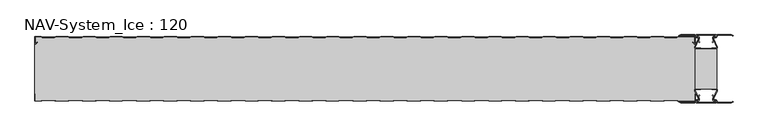
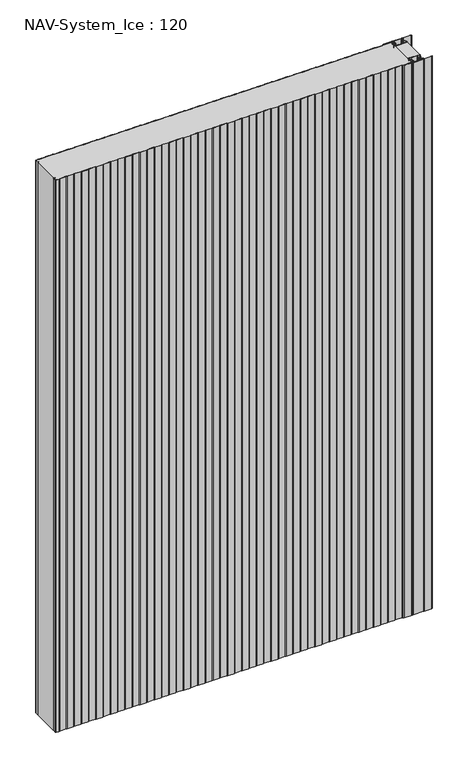
"""IFC4 building model written with IfcOpenShell, lengths in millimetres: plate geometry, NAV-System_Ice : 120."""

from ifc_helpers import new_model, si_unit, point, frame_2d, origin, origin_with_axes, place, context, project, spatial, polyline, circle_curve, trimmed, segment, composite_curve, outline, extrude, source, transform, mapped, element, save


def nav_system_ice_120_80eb98d6(model_context):
    return source(origin(), model_context, "Body", "SweptSolid", [
        extrude(outline(polyline([(630.0, -96.9693935), (590.0, -96.9693935), (590.0, -23.0306065), (630.0, -23.0306065), (630.0, -96.9693935)])), origin_with_axes(), (0.0, 0.0, 1.0), 2000.0),
        extrude(outline(composite_curve([segment(trimmed(circle_curve(frame_2d((599.1138734, -111.8417863)), 3.357884), [point((596.1169606, -113.3563483))], [point((597.7243711, -108.7848813))], False, "CARTESIAN"), True, "CONTINUOUS"), segment(polyline([(597.7243711, -108.7848813), (598.0554135, -109.5131744)]), True, "CONTINUOUS"), segment(trimmed(circle_curve(frame_2d((599.1138734, -111.8417863)), 2.557884), [point((598.0554135, -109.5131744))], [point((596.8448746, -113.0226397))], True, "CARTESIAN"), True, "CONTINUOUS"), segment(polyline([(596.8448746, -113.0226397), (597.7376807, -115.2182139)]), True, "CONTINUOUS"), segment(trimmed(circle_curve(frame_2d((593.7962884, -116.3456266)), 4.0994674), [point((597.7376807, -115.2182139))], [point((593.7866434, -120.4450826))], False, "CARTESIAN"), True, "CONTINUOUS"), segment(polyline([(593.7866434, -120.4450826), (592.2194901, -120.4092333)]), True, "CONTINUOUS"), segment(trimmed(circle_curve(frame_2d((592.2592624, -121.3027113)), 0.8943628), [point((592.2194901, -120.4092333))], [point((592.2592624, -122.1970741))], True, "CARTESIAN"), True, "CONTINUOUS"), segment(polyline([(592.2592624, -122.1970741), (627.7407376, -122.1970741)]), True, "CONTINUOUS"), segment(trimmed(circle_curve(frame_2d((627.7407376, -121.3027113)), 0.8943628), [point((627.7407376, -122.1970741))], [point((627.7805099, -120.4092333))], True, "CARTESIAN"), True, "CONTINUOUS"), segment(polyline([(627.7805099, -120.4092333), (626.2133566, -120.4450826)]), True, "CONTINUOUS"), segment(trimmed(circle_curve(frame_2d((626.2037116, -116.3456266)), 4.0994674), [point((626.2133566, -120.4450826))], [point((622.2623193, -115.2182139))], False, "CARTESIAN"), True, "CONTINUOUS"), segment(polyline([(622.2623193, -115.2182139), (623.1551254, -113.0226397)]), True, "CONTINUOUS"), segment(trimmed(circle_curve(frame_2d((620.8861266, -111.8417863)), 2.557884), [point((623.1551254, -113.0226397))], [point((621.9445865, -109.5131744))], True, "CARTESIAN"), True, "CONTINUOUS"), segment(polyline([(621.9445865, -109.5131744), (622.2756289, -108.7848813)]), True, "CONTINUOUS"), segment(trimmed(circle_curve(frame_2d((620.8861266, -111.8417863)), 3.357884), [point((622.2756289, -108.7848813))], [point((623.8830394, -113.3563483))], False, "CARTESIAN"), True, "CONTINUOUS"), segment(polyline([(623.8830394, -113.3563483), (623.0205049, -115.4774793)]), True, "CONTINUOUS"), segment(trimmed(circle_curve(frame_2d((626.2037116, -116.3456266)), 3.2994674), [point((623.0205049, -115.4774793))], [point((626.2037116, -119.645094))], True, "CARTESIAN"), True, "CONTINUOUS"), segment(polyline([(626.2037116, -119.645094), (627.7848884, -119.6089239)]), True, "CONTINUOUS"), segment(trimmed(circle_curve(frame_2d((627.7407376, -121.3027113)), 1.6943628), [point((627.7848884, -119.6089239))], [point((627.7407423, -122.9970741))], False, "CARTESIAN"), True, "CONTINUOUS"), segment(polyline([(627.7407423, -122.9970741), (592.2592577, -122.9970741)]), True, "CONTINUOUS"), segment(trimmed(circle_curve(frame_2d((592.2592624, -121.3027113)), 1.6943628), [point((592.2592577, -122.9970741))], [point((592.2151116, -119.6089239))], False, "CARTESIAN"), True, "CONTINUOUS"), segment(polyline([(592.2151116, -119.6089239), (593.7962884, -119.645094)]), True, "CONTINUOUS"), segment(trimmed(circle_curve(frame_2d((593.7962884, -116.3456266)), 3.2994674), [point((593.7962884, -119.645094))], [point((596.9794951, -115.4774793))], True, "CARTESIAN"), True, "CONTINUOUS"), segment(polyline([(596.9794951, -115.4774793), (596.1169606, -113.3563483)]), True, "CONTINUOUS")], self_intersect=False)), origin_with_axes(), (0.0, 0.0, 1.0), 2000.0),
        extrude(outline(composite_curve([segment(polyline([(596.1169606, -6.6436517), (596.9794951, -4.5225207)]), True, "CONTINUOUS"), segment(trimmed(circle_curve(frame_2d((593.7962884, -3.6543734)), 3.2994674), [point((596.9794951, -4.5225207))], [point((593.7962884, -0.354906))], True, "CARTESIAN"), True, "CONTINUOUS"), segment(polyline([(593.7962884, -0.354906), (592.2151116, -0.3910761)]), True, "CONTINUOUS"), segment(trimmed(circle_curve(frame_2d((592.2592624, 1.3027113)), 1.6943628), [point((592.2151116, -0.3910761))], [point((592.2592577, 2.9970741))], False, "CARTESIAN"), True, "CONTINUOUS"), segment(polyline([(592.2592577, 2.9970741), (627.7407423, 2.9970741)]), True, "CONTINUOUS"), segment(trimmed(circle_curve(frame_2d((627.7407376, 1.3027113)), 1.6943628), [point((627.7407423, 2.9970741))], [point((627.7848884, -0.3910761))], False, "CARTESIAN"), True, "CONTINUOUS"), segment(polyline([(627.7848884, -0.3910761), (626.2037116, -0.354906)]), True, "CONTINUOUS"), segment(trimmed(circle_curve(frame_2d((626.2037116, -3.6543734)), 3.2994674), [point((626.2037116, -0.354906))], [point((623.0205049, -4.5225207))], True, "CARTESIAN"), True, "CONTINUOUS"), segment(polyline([(623.0205049, -4.5225207), (623.8830394, -6.6436517)]), True, "CONTINUOUS"), segment(trimmed(circle_curve(frame_2d((620.8861266, -8.1582137)), 3.357884), [point((623.8830394, -6.6436517))], [point((622.2756289, -11.2151187))], False, "CARTESIAN"), True, "CONTINUOUS"), segment(polyline([(622.2756289, -11.2151187), (621.9445865, -10.4868256)]), True, "CONTINUOUS"), segment(trimmed(circle_curve(frame_2d((620.8861266, -8.1582137)), 2.557884), [point((621.9445865, -10.4868256))], [point((623.1551254, -6.9773603))], True, "CARTESIAN"), True, "CONTINUOUS"), segment(polyline([(623.1551254, -6.9773603), (622.2623193, -4.7817861)]), True, "CONTINUOUS"), segment(trimmed(circle_curve(frame_2d((626.2037116, -3.6543734)), 4.0994674), [point((622.2623193, -4.7817861))], [point((626.2133566, 0.4450826))], False, "CARTESIAN"), True, "CONTINUOUS"), segment(polyline([(626.2133566, 0.4450826), (627.7805099, 0.4092333)]), True, "CONTINUOUS"), segment(trimmed(circle_curve(frame_2d((627.7407376, 1.3027113)), 0.8943628), [point((627.7805099, 0.4092333))], [point((627.7407376, 2.1970741))], True, "CARTESIAN"), True, "CONTINUOUS"), segment(polyline([(627.7407376, 2.1970741), (592.2592624, 2.1970741)]), True, "CONTINUOUS"), segment(trimmed(circle_curve(frame_2d((592.2592624, 1.3027113)), 0.8943628), [point((592.2592624, 2.1970741))], [point((592.2194901, 0.4092333))], True, "CARTESIAN"), True, "CONTINUOUS"), segment(polyline([(592.2194901, 0.4092333), (593.7866434, 0.4450826)]), True, "CONTINUOUS"), segment(trimmed(circle_curve(frame_2d((593.7962884, -3.6543734)), 4.0994674), [point((593.7866434, 0.4450826))], [point((597.7376807, -4.7817861))], False, "CARTESIAN"), True, "CONTINUOUS"), segment(polyline([(597.7376807, -4.7817861), (596.8448746, -6.9773603)]), True, "CONTINUOUS"), segment(trimmed(circle_curve(frame_2d((599.1138734, -8.1582137)), 2.557884), [point((596.8448746, -6.9773603))], [point((598.0554135, -10.4868256))], True, "CARTESIAN"), True, "CONTINUOUS"), segment(polyline([(598.0554135, -10.4868256), (597.7243711, -11.2151187)]), True, "CONTINUOUS"), segment(trimmed(circle_curve(frame_2d((599.1138734, -8.1582137)), 3.357884), [point((597.7243711, -11.2151187))], [point((596.1169606, -6.6436517))], False, "CARTESIAN"), True, "CONTINUOUS")], self_intersect=False)), origin_with_axes(), (0.0, 0.0, 1.0), 2000.0),
        extrude(outline(composite_curve([segment(trimmed(circle_curve(frame_2d((591.9446371, -99.7746821)), 1.80576), [point((591.9446371, -97.9689221))], [point((590.2170288, -100.300171))], True, "CARTESIAN"), True, "CONTINUOUS"), segment(polyline([(590.2170288, -100.300171), (596.4690067, -114.9459892)]), True, "CONTINUOUS"), segment(trimmed(circle_curve(frame_2d((593.7254406, -115.9868127)), 2.93436), [point((596.4690067, -114.9459892))], [point((593.7254406, -118.9211727))], False, "CARTESIAN"), True, "CONTINUOUS"), segment(polyline([(593.7254406, -118.9211727), (592.1347887, -118.9211727)]), True, "CONTINUOUS"), segment(trimmed(circle_curve(frame_2d((592.1347887, -120.5012127)), 1.58004), [point((592.1347887, -118.9211727))], [point((590.931072, -119.4776931))], True, "CARTESIAN"), True, "CONTINUOUS"), segment(polyline([(590.931072, -119.4776931), (589.0191946, -123.0112573), (562.9417977, -123.0112573), (560.0, -121.2043676), (560.523373, -120.3522639), (563.2243806, -122.0112573), (588.4232658, -122.0112573), (590.0952671, -118.9210361)]), True, "CONTINUOUS"), segment(trimmed(circle_curve(frame_2d((592.1347887, -120.5012127)), 2.58004), [point((590.0952671, -118.9210361))], [point((592.1347887, -117.9211727))], False, "CARTESIAN"), True, "CONTINUOUS"), segment(polyline([(592.1347887, -117.9211727), (593.7254406, -117.9211727)]), True, "CONTINUOUS"), segment(trimmed(circle_curve(frame_2d((593.7254406, -115.9868127)), 1.93436), [point((593.7254406, -117.9211727))], [point((595.5404425, -115.3178459))], True, "CARTESIAN"), True, "CONTINUOUS"), segment(polyline([(595.5404425, -115.3178459), (589.2784311, -100.6484726)]), True, "CONTINUOUS"), segment(trimmed(circle_curve(frame_2d((591.9446225, -99.7747413)), 2.8057055), [point((589.2784311, -100.6484726))], [point((591.9446225, -96.9690357))], False, "CARTESIAN"), True, "CONTINUOUS"), segment(polyline([(591.9446225, -96.9690357), (595.755568, -96.9690357)]), True, "CONTINUOUS"), segment(trimmed(circle_curve(frame_2d((595.7555679, -99.0975873)), 2.1285516), [point((595.755568, -96.9690357))], [point((597.1042828, -97.4508633))], False, "CARTESIAN"), True, "CONTINUOUS"), segment(trimmed(circle_curve(frame_2d((598.2552034, -96.0456377)), 1.8163913), [point((597.1042828, -97.4508633))], [point((599.4059468, -97.4510085))], True, "CARTESIAN"), True, "CONTINUOUS"), segment(trimmed(circle_curve(frame_2d((600.7543352, -99.0977575)), 2.128364), [point((599.4059468, -97.4510085))], [point((600.7543352, -96.9693935))], False, "CARTESIAN"), True, "CONTINUOUS"), segment(polyline([(600.7543352, -96.9693935), (619.2454674, -96.9693935)]), True, "CONTINUOUS"), segment(trimmed(circle_curve(frame_2d((619.2454674, -99.0977884)), 2.1283949), [point((619.2454674, -96.9693935))], [point((620.594293, -97.4513576))], False, "CARTESIAN"), True, "CONTINUOUS"), segment(trimmed(circle_curve(frame_2d((621.7456338, -96.0459847)), 1.8167715), [point((620.594293, -97.4513576))], [point((622.8963798, -97.4518446))], True, "CARTESIAN"), True, "CONTINUOUS"), segment(trimmed(circle_curve(frame_2d((624.244105, -99.0983528)), 2.1277576), [point((622.8963798, -97.4518446))], [point((624.244105, -96.9705952))], False, "CARTESIAN"), True, "CONTINUOUS"), segment(polyline([(624.244105, -96.9705952), (628.0535675, -96.9705952)]), True, "CONTINUOUS"), segment(trimmed(circle_curve(frame_2d((628.0535675, -99.7787791)), 2.8081839), [point((628.0535675, -96.9705952))], [point((630.7287795, -100.6326746))], False, "CARTESIAN"), True, "CONTINUOUS"), segment(polyline([(630.7287795, -100.6326746), (624.4595575, -115.3178459)]), True, "CONTINUOUS"), segment(trimmed(circle_curve(frame_2d((626.2745595, -115.9868127)), 1.93436), [point((624.4595575, -115.3178459))], [point((626.2745595, -117.9211727))], True, "CARTESIAN"), True, "CONTINUOUS"), segment(polyline([(626.2745595, -117.9211727), (627.8652113, -117.9211727)]), True, "CONTINUOUS"), segment(trimmed(circle_curve(frame_2d((627.8652113, -120.5012127)), 2.58004), [point((627.8652113, -117.9211727))], [point((629.9047329, -118.9210361))], False, "CARTESIAN"), True, "CONTINUOUS"), segment(polyline([(629.9047329, -118.9210361), (631.5767342, -122.0112573), (656.7756194, -122.0112573), (659.476627, -120.3522639), (660.0, -121.2043676), (657.0582024, -123.0112573), (630.9808054, -123.0112573), (629.068928, -119.4776931)]), True, "CONTINUOUS"), segment(trimmed(circle_curve(frame_2d((627.8652113, -120.5012127)), 1.58004), [point((629.068928, -119.4776931))], [point((627.8652113, -118.9211727))], True, "CARTESIAN"), True, "CONTINUOUS"), segment(polyline([(627.8652113, -118.9211727), (626.2745595, -118.9211727)]), True, "CONTINUOUS"), segment(trimmed(circle_curve(frame_2d((626.2745595, -115.9868127)), 2.93436), [point((626.2745595, -118.9211727))], [point((623.5309933, -114.9459892))], False, "CARTESIAN"), True, "CONTINUOUS"), segment(polyline([(623.5309933, -114.9459892), (629.7829713, -100.300171)]), True, "CONTINUOUS"), segment(trimmed(circle_curve(frame_2d((628.0553629, -99.7746822)), 1.80576), [point((629.7829713, -100.300171))], [point((628.0553629, -97.9689222))], True, "CARTESIAN"), True, "CONTINUOUS"), segment(polyline([(628.0553629, -97.9689222), (623.5184731, -97.9689222)]), True, "CONTINUOUS"), segment(trimmed(circle_curve(frame_2d((621.7449981, -96.0455076)), 2.6162449), [point((623.5184731, -97.9689222))], [point((619.7766029, -97.7689222))], False, "CARTESIAN"), True, "CONTINUOUS"), segment(polyline([(619.7766029, -97.7689222), (600.2233971, -97.7689222)]), True, "CONTINUOUS"), segment(trimmed(circle_curve(frame_2d((598.255002, -96.0455076)), 2.6162449), [point((600.2233971, -97.7689222))], [point((596.4815269, -97.9689221))], False, "CARTESIAN"), True, "CONTINUOUS"), segment(polyline([(596.4815269, -97.9689221), (591.9446371, -97.9689221)]), True, "CONTINUOUS")], self_intersect=False)), origin_with_axes(), (0.0, 0.0, 1.0), 2000.0),
        extrude(outline(composite_curve([segment(polyline([(591.9446371, -22.0310778), (596.4815269, -22.0310778)]), True, "CONTINUOUS"), segment(trimmed(circle_curve(frame_2d((598.2550019, -23.9544924)), 2.6162449), [point((596.4815269, -22.0310778))], [point((600.2233971, -22.2310778))], False, "CARTESIAN"), True, "CONTINUOUS"), segment(polyline([(600.2233971, -22.2310778), (619.7766029, -22.2310778)]), True, "CONTINUOUS"), segment(trimmed(circle_curve(frame_2d((621.7449981, -23.9544924)), 2.6162449), [point((619.7766029, -22.2310778))], [point((623.5184731, -22.0310778))], False, "CARTESIAN"), True, "CONTINUOUS"), segment(polyline([(623.5184731, -22.0310778), (628.0553629, -22.0310778)]), True, "CONTINUOUS"), segment(trimmed(circle_curve(frame_2d((628.0553629, -20.2253178)), 1.80576), [point((628.0553629, -22.0310778))], [point((629.7829712, -19.699829))], True, "CARTESIAN"), True, "CONTINUOUS"), segment(polyline([(629.7829712, -19.699829), (623.5309933, -5.0540108)]), True, "CONTINUOUS"), segment(trimmed(circle_curve(frame_2d((626.2745594, -4.0131873)), 2.93436), [point((623.5309933, -5.0540108))], [point((626.2745594, -1.0788273))], False, "CARTESIAN"), True, "CONTINUOUS"), segment(polyline([(626.2745594, -1.0788273), (627.8652113, -1.0788273)]), True, "CONTINUOUS"), segment(trimmed(circle_curve(frame_2d((627.8652113, 0.5012127)), 1.58004), [point((627.8652113, -1.0788273))], [point((629.068928, -0.5223069))], True, "CARTESIAN"), True, "CONTINUOUS"), segment(polyline([(629.068928, -0.5223069), (630.9808054, 3.0112573), (657.0582023, 3.0112573), (660.0, 1.2043676), (659.476627, 0.3522639), (656.7756194, 2.0112573), (631.5767342, 2.0112573), (629.9047329, -1.0789639)]), True, "CONTINUOUS"), segment(trimmed(circle_curve(frame_2d((627.8652113, 0.5012127)), 2.58004), [point((629.9047329, -1.0789639))], [point((627.8652113, -2.0788273))], False, "CARTESIAN"), True, "CONTINUOUS"), segment(polyline([(627.8652113, -2.0788273), (626.2745594, -2.0788273)]), True, "CONTINUOUS"), segment(trimmed(circle_curve(frame_2d((626.2745594, -4.0131873)), 1.93436), [point((626.2745594, -2.0788273))], [point((624.4595575, -4.6821541))], True, "CARTESIAN"), True, "CONTINUOUS"), segment(polyline([(624.4595575, -4.6821541), (630.7287795, -19.3673254)]), True, "CONTINUOUS"), segment(trimmed(circle_curve(frame_2d((628.0535675, -20.2212209)), 2.8081839), [point((630.7287795, -19.3673254))], [point((628.0535675, -23.0294048))], False, "CARTESIAN"), True, "CONTINUOUS"), segment(polyline([(628.0535675, -23.0294048), (624.244105, -23.0294048)]), True, "CONTINUOUS"), segment(trimmed(circle_curve(frame_2d((624.244105, -20.9016472)), 2.1277576), [point((624.244105, -23.0294048))], [point((622.8963798, -22.5481554))], False, "CARTESIAN"), True, "CONTINUOUS"), segment(trimmed(circle_curve(frame_2d((621.7456337, -23.9540153)), 1.8167716), [point((622.8963798, -22.5481554))], [point((620.5942929, -22.5486423))], True, "CARTESIAN"), True, "CONTINUOUS"), segment(trimmed(circle_curve(frame_2d((619.2454674, -20.9022116)), 2.1283949), [point((620.5942929, -22.5486423))], [point((619.2454674, -23.0306065))], False, "CARTESIAN"), True, "CONTINUOUS"), segment(polyline([(619.2454674, -23.0306065), (600.7543352, -23.0306065)]), True, "CONTINUOUS"), segment(trimmed(circle_curve(frame_2d((600.7543352, -20.9022425)), 2.128364), [point((600.7543352, -23.0306065))], [point((599.4059468, -22.5489915))], False, "CARTESIAN"), True, "CONTINUOUS"), segment(trimmed(circle_curve(frame_2d((598.2552034, -23.9543623)), 1.8163912), [point((599.4059468, -22.5489915))], [point((597.1042828, -22.5491367))], True, "CARTESIAN"), True, "CONTINUOUS"), segment(trimmed(circle_curve(frame_2d((595.7555679, -20.9024127)), 2.1285516), [point((597.1042828, -22.5491367))], [point((595.7555679, -23.0309643))], False, "CARTESIAN"), True, "CONTINUOUS"), segment(polyline([(595.7555679, -23.0309643), (591.9446225, -23.0309643)]), True, "CONTINUOUS"), segment(trimmed(circle_curve(frame_2d((591.9446225, -20.2252587)), 2.8057055), [point((591.9446225, -23.0309643))], [point((589.2784311, -19.3515274))], False, "CARTESIAN"), True, "CONTINUOUS"), segment(polyline([(589.2784311, -19.3515274), (595.5404425, -4.6821541)]), True, "CONTINUOUS"), segment(trimmed(circle_curve(frame_2d((593.7254406, -4.0131873)), 1.93436), [point((595.5404425, -4.6821541))], [point((593.7254406, -2.0788273))], True, "CARTESIAN"), True, "CONTINUOUS"), segment(polyline([(593.7254406, -2.0788273), (592.1347887, -2.0788273)]), True, "CONTINUOUS"), segment(trimmed(circle_curve(frame_2d((592.1347887, 0.5012127)), 2.58004), [point((592.1347887, -2.0788273))], [point((590.0952671, -1.0789639))], False, "CARTESIAN"), True, "CONTINUOUS"), segment(polyline([(590.0952671, -1.0789639), (588.4232658, 2.0112573), (563.2243806, 2.0112573), (560.523373, 0.3522639), (560.0, 1.2043676), (562.9417977, 3.0112573), (589.0191946, 3.0112573), (590.931072, -0.5223069)]), True, "CONTINUOUS"), segment(trimmed(circle_curve(frame_2d((592.1347887, 0.5012127)), 1.58004), [point((590.931072, -0.5223069))], [point((592.1347887, -1.0788273))], True, "CARTESIAN"), True, "CONTINUOUS"), segment(polyline([(592.1347887, -1.0788273), (593.7254406, -1.0788273)]), True, "CONTINUOUS"), segment(trimmed(circle_curve(frame_2d((593.7254406, -4.0131873)), 2.93436), [point((593.7254406, -1.0788273))], [point((596.4690067, -5.0540108))], False, "CARTESIAN"), True, "CONTINUOUS"), segment(polyline([(596.4690067, -5.0540108), (590.2170288, -19.699829)]), True, "CONTINUOUS"), segment(trimmed(circle_curve(frame_2d((591.9446371, -20.2253178)), 1.80576), [point((590.2170288, -19.699829))], [point((591.9446371, -22.0310778))], True, "CARTESIAN"), True, "CONTINUOUS")], self_intersect=False)), origin_with_axes(), (0.0, 0.0, 1.0), 2000.0),
        extrude(outline(composite_curve([segment(polyline([(559.1298221, -0.8), (556.1298221, -1.8), (533.8701779, -1.8), (530.8701779, -0.8), (509.1298221, -0.8), (506.1298221, -1.8), (483.8701779, -1.8), (480.8701779, -0.8), (459.1298221, -0.8), (456.1298221, -1.8), (433.8701779, -1.8), (430.8701779, -0.8), (409.1298221, -0.8), (406.1298221, -1.8), (383.8701779, -1.8), (380.8701779, -0.8), (359.1298221, -0.8), (356.1298221, -1.8), (333.8701779, -1.8), (330.8701779, -0.8), (309.1298221, -0.8), (306.1298221, -1.8), (283.8701779, -1.8), (280.8701779, -0.8), (259.1298221, -0.8), (256.1298221, -1.8), (233.8701779, -1.8), (230.8701779, -0.8), (209.1298221, -0.8), (206.1298221, -1.8), (183.8701779, -1.8), (180.8701779, -0.8), (159.1298221, -0.8), (156.1298221, -1.8), (133.8701779, -1.8), (130.8701779, -0.8), (109.1298221, -0.8), (106.1298221, -1.8), (83.8701779, -1.8), (80.8701779, -0.8), (59.1298221, -0.8), (56.1298221, -1.8), (33.8701779, -1.8), (30.8701779, -0.8), (9.1298221, -0.8), (6.1298221, -1.8), (-16.1298221, -1.8), (-19.1298221, -0.8), (-40.8701779, -0.8), (-43.8701779, -1.8), (-66.1298221, -1.8), (-69.1298221, -0.8), (-90.8701779, -0.8), (-93.8701779, -1.8), (-116.1298221, -1.8), (-119.1298221, -0.8), (-140.8701779, -0.8), (-143.8701779, -1.8), (-166.1298221, -1.8), (-169.1298221, -0.8), (-190.8701779, -0.8), (-193.8701779, -1.8), (-216.1298221, -1.8), (-219.1298221, -0.8), (-240.8701779, -0.8), (-243.8701779, -1.8), (-266.1298221, -1.8), (-269.1298221, -0.8), (-290.8701779, -0.8), (-293.8701779, -1.8), (-316.1298221, -1.8), (-319.1298221, -0.8), (-340.8701779, -0.8), (-343.8701779, -1.8), (-366.1298221, -1.8), (-369.1298221, -0.8), (-390.8701779, -0.8), (-393.8701779, -1.8), (-416.1298221, -1.8), (-419.1298221, -0.8), (-440.8701779, -0.8), (-443.8701779, -1.8), (-466.1298221, -1.8), (-469.1298221, -0.8), (-490.8701779, -0.8), (-493.8701779, -1.8), (-516.1298221, -1.8), (-519.1298221, -0.8), (-540.8701779, -0.8), (-543.8701779, -1.8), (-566.1298221, -1.8), (-569.1298221, -0.8), (-590.8701779, -0.8), (-593.8701779, -1.8), (-616.1298221, -1.8), (-619.1298221, -0.8), (-628.7, -0.8)]), True, "CONTINUOUS"), segment(trimmed(circle_curve(frame_2d((-628.7, -1.3)), 0.5), [point((-628.7, -0.8))], [point((-629.2, -1.3))], True, "CARTESIAN"), True, "CONTINUOUS"), segment(polyline([(-629.2, -1.3), (-629.2, -12.5857864)]), True, "CONTINUOUS"), segment(trimmed(circle_curve(frame_2d((-628.7, -12.5857864)), 0.5), [point((-629.2, -12.5857864))], [point((-628.3464466, -12.9393398))], True, "CARTESIAN"), True, "CONTINUOUS"), segment(polyline([(-628.3464466, -12.9393398), (-625.9205321, -10.5134253), (-625.3548467, -11.0791108), (-627.7807612, -13.5050253)]), True, "CONTINUOUS"), segment(trimmed(circle_curve(frame_2d((-628.7, -12.5857864)), 1.3), [point((-627.7807612, -13.5050253))], [point((-630.0, -12.5857864))], False, "CARTESIAN"), True, "CONTINUOUS"), segment(polyline([(-630.0, -12.5857864), (-630.0, -1.3)]), True, "CONTINUOUS"), segment(trimmed(circle_curve(frame_2d((-628.7, -1.3)), 1.3), [point((-630.0, -1.3))], [point((-628.7, 0.0))], False, "CARTESIAN"), True, "CONTINUOUS"), segment(polyline([(-628.7, 0.0), (-619.0, 0.0), (-616.0, -1.0), (-594.0, -1.0), (-591.0, 0.0), (-569.0, 0.0), (-566.0, -1.0), (-544.0, -1.0), (-541.0, 0.0), (-519.0, 0.0), (-516.0, -1.0), (-494.0, -1.0), (-491.0, 0.0), (-469.0, 0.0), (-466.0, -1.0), (-444.0, -1.0), (-441.0, 0.0), (-419.0, 0.0), (-416.0, -1.0), (-394.0, -1.0), (-391.0, 0.0), (-369.0, 0.0), (-366.0, -1.0), (-344.0, -1.0), (-341.0, 0.0), (-319.0, 0.0), (-316.0, -1.0), (-294.0, -1.0), (-291.0, 0.0), (-269.0, 0.0), (-266.0, -1.0), (-244.0, -1.0), (-241.0, 0.0), (-219.0, 0.0), (-216.0, -1.0), (-194.0, -1.0), (-191.0, 0.0), (-169.0, 0.0), (-166.0, -1.0), (-144.0, -1.0), (-141.0, 0.0), (-119.0, 0.0), (-116.0, -1.0), (-94.0, -1.0), (-91.0, 0.0), (-69.0, 0.0), (-66.0, -1.0), (-44.0, -1.0), (-41.0, 0.0), (-19.0, 0.0), (-16.0, -1.0), (6.0, -1.0), (9.0, 0.0), (31.0, 0.0), (34.0, -1.0), (56.0, -1.0), (59.0, 0.0), (81.0, 0.0), (84.0, -1.0), (106.0, -1.0), (109.0, 0.0), (131.0, 0.0), (134.0, -1.0), (156.0, -1.0), (159.0, 0.0), (181.0, 0.0), (184.0, -1.0), (206.0, -1.0), (209.0, 0.0), (231.0, 0.0), (234.0, -1.0), (256.0, -1.0), (259.0, 0.0), (281.0, 0.0), (284.0, -1.0), (306.0, -1.0), (309.0, 0.0), (331.0, 0.0), (334.0, -1.0), (356.0, -1.0), (359.0, 0.0), (381.0, 0.0), (384.0, -1.0), (406.0, -1.0), (409.0, 0.0), (431.0, 0.0), (434.0, -1.0), (456.0, -1.0), (459.0, 0.0), (481.0, 0.0), (484.0, -1.0), (506.0, -1.0), (509.0, 0.0), (531.0, 0.0), (534.0, -1.0), (556.0, -1.0), (559.0, 0.0), (588.7, 0.0)]), True, "CONTINUOUS"), segment(trimmed(circle_curve(frame_2d((588.7, -1.3)), 1.3), [point((588.7, 0.0))], [point((590.0, -1.3))], False, "CARTESIAN"), True, "CONTINUOUS"), segment(polyline([(590.0, -1.3), (590.0, -12.5857864)]), True, "CONTINUOUS"), segment(trimmed(circle_curve(frame_2d((588.7, -12.5857864)), 1.3), [point((590.0, -12.5857864))], [point((587.7807612, -13.5050253))], False, "CARTESIAN"), True, "CONTINUOUS"), segment(polyline([(587.7807612, -13.5050253), (585.3548467, -11.0791108), (585.9205321, -10.5134253), (588.3464466, -12.9393398)]), True, "CONTINUOUS"), segment(trimmed(circle_curve(frame_2d((588.7, -12.5857864)), 0.5), [point((588.3464466, -12.9393398))], [point((589.2, -12.5857864))], True, "CARTESIAN"), True, "CONTINUOUS"), segment(polyline([(589.2, -12.5857864), (589.2, -1.3)]), True, "CONTINUOUS"), segment(trimmed(circle_curve(frame_2d((588.7, -1.3)), 0.5), [point((589.2, -1.3))], [point((588.7, -0.8))], True, "CARTESIAN"), True, "CONTINUOUS"), segment(polyline([(588.7, -0.8), (559.1298221, -0.8)]), True, "CONTINUOUS")], self_intersect=False)), origin_with_axes(), (0.0, 0.0, 1.0), 2000.0),
        extrude(outline(composite_curve([segment(polyline([(559.1298221, -0.8), (588.7, -0.8)]), True, "CONTINUOUS"), segment(trimmed(circle_curve(frame_2d((588.7, -1.3)), 0.5), [point((588.7, -0.8))], [point((589.2, -1.3))], False, "CARTESIAN"), True, "CONTINUOUS"), segment(polyline([(589.2, -1.3), (589.2, -12.5857864)]), True, "CONTINUOUS"), segment(trimmed(circle_curve(frame_2d((588.7, -12.5857864)), 0.5), [point((589.2, -12.5857864))], [point((588.3464466, -12.9393398))], False, "CARTESIAN"), True, "CONTINUOUS"), segment(polyline([(588.3464466, -12.9393398), (585.9205321, -10.5134253), (585.3548467, -11.0791108), (587.7807612, -13.5050253)]), True, "CONTINUOUS"), segment(trimmed(circle_curve(frame_2d((588.7, -12.5857864)), 1.3), [point((587.7807612, -13.5050253))], [point((588.7, -13.8857864))], True, "CARTESIAN"), True, "CONTINUOUS"), segment(polyline([(588.7, -13.8857864), (590.0, -13.8857864), (590.0, -106.1142136), (588.7, -106.1142136)]), True, "CONTINUOUS"), segment(trimmed(circle_curve(frame_2d((588.7, -107.4142136)), 1.3), [point((588.7, -106.1142136))], [point((587.7807612, -106.4949747))], True, "CARTESIAN"), True, "CONTINUOUS"), segment(polyline([(587.7807612, -106.4949747), (585.3548467, -108.9208892), (585.9205321, -109.4865747), (588.3464466, -107.0606602)]), True, "CONTINUOUS"), segment(trimmed(circle_curve(frame_2d((588.7, -107.4142136)), 0.5), [point((588.3464466, -107.0606602))], [point((589.2, -107.4142136))], False, "CARTESIAN"), True, "CONTINUOUS"), segment(polyline([(589.2, -107.4142136), (589.2, -118.7)]), True, "CONTINUOUS"), segment(trimmed(circle_curve(frame_2d((588.7, -118.7)), 0.5), [point((589.2, -118.7))], [point((588.7, -119.2))], False, "CARTESIAN"), True, "CONTINUOUS"), segment(polyline([(588.7, -119.2), (559.1298221, -119.2), (556.1298221, -118.2), (533.8701779, -118.2), (530.8701779, -119.2), (509.1298221, -119.2), (506.1298221, -118.2), (483.8701779, -118.2), (480.8701779, -119.2), (459.1298221, -119.2), (456.1298221, -118.2), (433.8701779, -118.2), (430.8701779, -119.2), (409.1298221, -119.2), (406.1298221, -118.2), (383.8701779, -118.2), (380.8701779, -119.2), (359.1298221, -119.2), (356.1298221, -118.2), (333.8701779, -118.2), (330.8701779, -119.2), (309.1298221, -119.2), (306.1298221, -118.2), (283.8701779, -118.2), (280.8701779, -119.2), (259.1298221, -119.2), (256.1298221, -118.2), (233.8701779, -118.2), (230.8701779, -119.2), (209.1298221, -119.2), (206.1298221, -118.2), (183.8701779, -118.2), (180.8701779, -119.2), (159.1298221, -119.2), (156.1298221, -118.2), (133.8701779, -118.2), (130.8701779, -119.2), (109.1298221, -119.2), (106.1298221, -118.2), (83.8701779, -118.2), (80.8701779, -119.2), (59.1298221, -119.2), (56.1298221, -118.2), (33.8701779, -118.2), (30.8701779, -119.2), (9.1298221, -119.2), (6.1298221, -118.2), (-16.1298221, -118.2), (-19.1298221, -119.2), (-40.8701779, -119.2), (-43.8701779, -118.2), (-66.1298221, -118.2), (-69.1298221, -119.2), (-90.8701779, -119.2), (-93.8701779, -118.2), (-116.1298221, -118.2), (-119.1298221, -119.2), (-140.8701779, -119.2), (-143.8701779, -118.2), (-166.1298221, -118.2), (-169.1298221, -119.2), (-190.8701779, -119.2), (-193.8701779, -118.2), (-216.1298221, -118.2), (-219.1298221, -119.2), (-240.8701779, -119.2), (-243.8701779, -118.2), (-266.1298221, -118.2), (-269.1298221, -119.2), (-290.8701779, -119.2), (-293.8701779, -118.2), (-316.1298221, -118.2), (-319.1298221, -119.2), (-340.8701779, -119.2), (-343.8701779, -118.2), (-366.1298221, -118.2), (-369.1298221, -119.2), (-390.8701779, -119.2), (-393.8701779, -118.2), (-416.1298221, -118.2), (-419.1298221, -119.2), (-440.8701779, -119.2), (-443.8701779, -118.2), (-466.1298221, -118.2), (-469.1298221, -119.2), (-490.8701779, -119.2), (-493.8701779, -118.2), (-516.1298221, -118.2), (-519.1298221, -119.2), (-540.8701779, -119.2), (-543.8701779, -118.2), (-566.1298221, -118.2), (-569.1298221, -119.2), (-590.8701779, -119.2), (-593.8701779, -118.2), (-616.1298221, -118.2), (-619.1298221, -119.2), (-628.7, -119.2)]), True, "CONTINUOUS"), segment(trimmed(circle_curve(frame_2d((-628.7, -118.7)), 0.5), [point((-628.7, -119.2))], [point((-629.2, -118.7))], False, "CARTESIAN"), True, "CONTINUOUS"), segment(polyline([(-629.2, -118.7), (-629.2, -107.4142136)]), True, "CONTINUOUS"), segment(trimmed(circle_curve(frame_2d((-628.7, -107.4142136)), 0.5), [point((-629.2, -107.4142136))], [point((-628.3464466, -107.0606602))], False, "CARTESIAN"), True, "CONTINUOUS"), segment(polyline([(-628.3464466, -107.0606602), (-625.9205321, -109.4865747), (-625.3548467, -108.9208892), (-627.7807612, -106.4949747)]), True, "CONTINUOUS"), segment(trimmed(circle_curve(frame_2d((-628.7, -107.4142136)), 1.3), [point((-627.7807612, -106.4949747))], [point((-628.7, -106.1142136))], True, "CARTESIAN"), True, "CONTINUOUS"), segment(polyline([(-628.7, -106.1142136), (-630.0, -106.1142136), (-630.0, -13.8857864), (-628.7, -13.8857864)]), True, "CONTINUOUS"), segment(trimmed(circle_curve(frame_2d((-628.7, -12.5857864)), 1.3), [point((-628.7, -13.8857864))], [point((-627.7807612, -13.5050253))], True, "CARTESIAN"), True, "CONTINUOUS"), segment(polyline([(-627.7807612, -13.5050253), (-625.3548467, -11.0791108), (-625.9205321, -10.5134253), (-628.3464466, -12.9393398)]), True, "CONTINUOUS"), segment(trimmed(circle_curve(frame_2d((-628.7, -12.5857864)), 0.5), [point((-628.3464466, -12.9393398))], [point((-629.2, -12.5857864))], False, "CARTESIAN"), True, "CONTINUOUS"), segment(polyline([(-629.2, -12.5857864), (-629.2, -1.3)]), True, "CONTINUOUS"), segment(trimmed(circle_curve(frame_2d((-628.7, -1.3)), 0.5), [point((-629.2, -1.3))], [point((-628.7, -0.8))], False, "CARTESIAN"), True, "CONTINUOUS"), segment(polyline([(-628.7, -0.8), (-619.1298221, -0.8), (-616.1298221, -1.8), (-593.8701779, -1.8), (-590.8701779, -0.8), (-569.1298221, -0.8), (-566.1298221, -1.8), (-543.8701779, -1.8), (-540.8701779, -0.8), (-519.1298221, -0.8), (-516.1298221, -1.8), (-493.8701779, -1.8), (-490.8701779, -0.8), (-469.1298221, -0.8), (-466.1298221, -1.8), (-443.8701779, -1.8), (-440.8701779, -0.8), (-419.1298221, -0.8), (-416.1298221, -1.8), (-393.8701779, -1.8), (-390.8701779, -0.8), (-369.1298221, -0.8), (-366.1298221, -1.8), (-343.8701779, -1.8), (-340.8701779, -0.8), (-319.1298221, -0.8), (-316.1298221, -1.8), (-293.8701779, -1.8), (-290.8701779, -0.8), (-269.1298221, -0.8), (-266.1298221, -1.8), (-243.8701779, -1.8), (-240.8701779, -0.8), (-219.1298221, -0.8), (-216.1298221, -1.8), (-193.8701779, -1.8), (-190.8701779, -0.8), (-169.1298221, -0.8), (-166.1298221, -1.8), (-143.8701779, -1.8), (-140.8701779, -0.8), (-119.1298221, -0.8), (-116.1298221, -1.8), (-93.8701779, -1.8), (-90.8701779, -0.8), (-69.1298221, -0.8), (-66.1298221, -1.8), (-43.8701779, -1.8), (-40.8701779, -0.8), (-19.1298221, -0.8), (-16.1298221, -1.8), (6.1298221, -1.8), (9.1298221, -0.8), (30.8701779, -0.8), (33.8701779, -1.8), (56.1298221, -1.8), (59.1298221, -0.8), (80.8701779, -0.8), (83.8701779, -1.8), (106.1298221, -1.8), (109.1298221, -0.8), (130.8701779, -0.8), (133.8701779, -1.8), (156.1298221, -1.8), (159.1298221, -0.8), (180.8701779, -0.8), (183.8701779, -1.8), (206.1298221, -1.8), (209.1298221, -0.8), (230.8701779, -0.8), (233.8701779, -1.8), (256.1298221, -1.8), (259.1298221, -0.8), (280.8701779, -0.8), (283.8701779, -1.8), (306.1298221, -1.8), (309.1298221, -0.8), (330.8701779, -0.8), (333.8701779, -1.8), (356.1298221, -1.8), (359.1298221, -0.8), (380.8701779, -0.8), (383.8701779, -1.8), (406.1298221, -1.8), (409.1298221, -0.8), (430.8701779, -0.8), (433.8701779, -1.8), (456.1298221, -1.8), (459.1298221, -0.8), (480.8701779, -0.8), (483.8701779, -1.8), (506.1298221, -1.8), (509.1298221, -0.8), (530.8701779, -0.8), (533.8701779, -1.8), (556.1298221, -1.8), (559.1298221, -0.8)]), True, "CONTINUOUS")], self_intersect=False)), origin_with_axes(), (0.0, 0.0, 1.0), 2000.0),
        extrude(outline(composite_curve([segment(polyline([(559.1298221, -119.2), (588.7, -119.2)]), True, "CONTINUOUS"), segment(trimmed(circle_curve(frame_2d((588.7, -118.7)), 0.5), [point((588.7, -119.2))], [point((589.2, -118.7))], True, "CARTESIAN"), True, "CONTINUOUS"), segment(polyline([(589.2, -118.7), (589.2, -107.4142136)]), True, "CONTINUOUS"), segment(trimmed(circle_curve(frame_2d((588.7, -107.4142136)), 0.5), [point((589.2, -107.4142136))], [point((588.3464466, -107.0606602))], True, "CARTESIAN"), True, "CONTINUOUS"), segment(polyline([(588.3464466, -107.0606602), (585.9205321, -109.4865747), (585.3548467, -108.9208892), (587.7807612, -106.4949747)]), True, "CONTINUOUS"), segment(trimmed(circle_curve(frame_2d((588.7, -107.4142136)), 1.3), [point((587.7807612, -106.4949747))], [point((590.0, -107.4142136))], False, "CARTESIAN"), True, "CONTINUOUS"), segment(polyline([(590.0, -107.4142136), (590.0, -118.7)]), True, "CONTINUOUS"), segment(trimmed(circle_curve(frame_2d((588.7, -118.7)), 1.3), [point((590.0, -118.7))], [point((588.7, -120.0))], False, "CARTESIAN"), True, "CONTINUOUS"), segment(polyline([(588.7, -120.0), (559.0, -120.0), (556.0, -119.0), (534.0, -119.0), (531.0, -120.0), (509.0, -120.0), (506.0, -119.0), (484.0, -119.0), (481.0, -120.0), (459.0, -120.0), (456.0, -119.0), (434.0, -119.0), (431.0, -120.0), (409.0, -120.0), (406.0, -119.0), (384.0, -119.0), (381.0, -120.0), (359.0, -120.0), (356.0, -119.0), (334.0, -119.0), (331.0, -120.0), (309.0, -120.0), (306.0, -119.0), (284.0, -119.0), (281.0, -120.0), (259.0, -120.0), (256.0, -119.0), (234.0, -119.0), (231.0, -120.0), (209.0, -120.0), (206.0, -119.0), (184.0, -119.0), (181.0, -120.0), (159.0, -120.0), (156.0, -119.0), (134.0, -119.0), (131.0, -120.0), (109.0, -120.0), (106.0, -119.0), (84.0, -119.0), (81.0, -120.0), (59.0, -120.0), (56.0, -119.0), (34.0, -119.0), (31.0, -120.0), (9.0, -120.0), (6.0, -119.0), (-16.0, -119.0), (-19.0, -120.0), (-41.0, -120.0), (-44.0, -119.0), (-66.0, -119.0), (-69.0, -120.0), (-91.0, -120.0), (-94.0, -119.0), (-116.0, -119.0), (-119.0, -120.0), (-141.0, -120.0), (-144.0, -119.0), (-166.0, -119.0), (-169.0, -120.0), (-191.0, -120.0), (-194.0, -119.0), (-216.0, -119.0), (-219.0, -120.0), (-241.0, -120.0), (-244.0, -119.0), (-266.0, -119.0), (-269.0, -120.0), (-291.0, -120.0), (-294.0, -119.0), (-316.0, -119.0), (-319.0, -120.0), (-341.0, -120.0), (-344.0, -119.0), (-366.0, -119.0), (-369.0, -120.0), (-391.0, -120.0), (-394.0, -119.0), (-416.0, -119.0), (-419.0, -120.0), (-441.0, -120.0), (-444.0, -119.0), (-466.0, -119.0), (-469.0, -120.0), (-491.0, -120.0), (-494.0, -119.0), (-516.0, -119.0), (-519.0, -120.0), (-541.0, -120.0), (-544.0, -119.0), (-566.0, -119.0), (-569.0, -120.0), (-591.0, -120.0), (-594.0, -119.0), (-616.0, -119.0), (-619.0, -120.0), (-628.7, -120.0)]), True, "CONTINUOUS"), segment(trimmed(circle_curve(frame_2d((-628.7, -118.7)), 1.3), [point((-628.7, -120.0))], [point((-630.0, -118.7))], False, "CARTESIAN"), True, "CONTINUOUS"), segment(polyline([(-630.0, -118.7), (-630.0, -107.4142136)]), True, "CONTINUOUS"), segment(trimmed(circle_curve(frame_2d((-628.7, -107.4142136)), 1.3), [point((-630.0, -107.4142136))], [point((-627.7807612, -106.4949747))], False, "CARTESIAN"), True, "CONTINUOUS"), segment(polyline([(-627.7807612, -106.4949747), (-625.3548467, -108.9208892), (-625.9205321, -109.4865747), (-628.3464466, -107.0606602)]), True, "CONTINUOUS"), segment(trimmed(circle_curve(frame_2d((-628.7, -107.4142136)), 0.5), [point((-628.3464466, -107.0606602))], [point((-629.2, -107.4142136))], True, "CARTESIAN"), True, "CONTINUOUS"), segment(polyline([(-629.2, -107.4142136), (-629.2, -118.7)]), True, "CONTINUOUS"), segment(trimmed(circle_curve(frame_2d((-628.7, -118.7)), 0.5), [point((-629.2, -118.7))], [point((-628.7, -119.2))], True, "CARTESIAN"), True, "CONTINUOUS"), segment(polyline([(-628.7, -119.2), (-619.1298221, -119.2), (-616.1298221, -118.2), (-593.8701779, -118.2), (-590.8701779, -119.2), (-569.1298221, -119.2), (-566.1298221, -118.2), (-543.8701779, -118.2), (-540.8701779, -119.2), (-519.1298221, -119.2), (-516.1298221, -118.2), (-493.8701779, -118.2), (-490.8701779, -119.2), (-469.1298221, -119.2), (-466.1298221, -118.2), (-443.8701779, -118.2), (-440.8701779, -119.2), (-419.1298221, -119.2), (-416.1298221, -118.2), (-393.8701779, -118.2), (-390.8701779, -119.2), (-369.1298221, -119.2), (-366.1298221, -118.2), (-343.8701779, -118.2), (-340.8701779, -119.2), (-319.1298221, -119.2), (-316.1298221, -118.2), (-293.8701779, -118.2), (-290.8701779, -119.2), (-269.1298221, -119.2), (-266.1298221, -118.2), (-243.8701779, -118.2), (-240.8701779, -119.2), (-219.1298221, -119.2), (-216.1298221, -118.2), (-193.8701779, -118.2), (-190.8701779, -119.2), (-169.1298221, -119.2), (-166.1298221, -118.2), (-143.8701779, -118.2), (-140.8701779, -119.2), (-119.1298221, -119.2), (-116.1298221, -118.2), (-93.8701779, -118.2), (-90.8701779, -119.2), (-69.1298221, -119.2), (-66.1298221, -118.2), (-43.8701779, -118.2), (-40.8701779, -119.2), (-19.1298221, -119.2), (-16.1298221, -118.2), (6.1298221, -118.2), (9.1298221, -119.2), (30.8701779, -119.2), (33.8701779, -118.2), (56.1298221, -118.2), (59.1298221, -119.2), (80.8701779, -119.2), (83.8701779, -118.2), (106.1298221, -118.2), (109.1298221, -119.2), (130.8701779, -119.2), (133.8701779, -118.2), (156.1298221, -118.2), (159.1298221, -119.2), (180.8701779, -119.2), (183.8701779, -118.2), (206.1298221, -118.2), (209.1298221, -119.2), (230.8701779, -119.2), (233.8701779, -118.2), (256.1298221, -118.2), (259.1298221, -119.2), (280.8701779, -119.2), (283.8701779, -118.2), (306.1298221, -118.2), (309.1298221, -119.2), (330.8701779, -119.2), (333.8701779, -118.2), (356.1298221, -118.2), (359.1298221, -119.2), (380.8701779, -119.2), (383.8701779, -118.2), (406.1298221, -118.2), (409.1298221, -119.2), (430.8701779, -119.2), (433.8701779, -118.2), (456.1298221, -118.2), (459.1298221, -119.2), (480.8701779, -119.2), (483.8701779, -118.2), (506.1298221, -118.2), (509.1298221, -119.2), (530.8701779, -119.2), (533.8701779, -118.2), (556.1298221, -118.2), (559.1298221, -119.2)]), True, "CONTINUOUS")], self_intersect=False)), origin_with_axes(), (0.0, 0.0, 1.0), 2000.0),
    ])


if __name__ == "__main__":
    model = new_model("IFC4")
    model_context = context("Model", 3, world=origin())
    ifc_project = project(units=[si_unit("LENGTHUNIT", "METRE", prefix="MILLI")], contexts=[model_context])
    site = spatial("IfcSite", under=ifc_project)
    building = spatial("IfcBuilding", under=site)
    placement = place(None, origin())
    nav_system_ice_120_shape = nav_system_ice_120_80eb98d6(model_context)
    element("IfcPlate", 1, ObjectType="NAV-System_Ice : 120", at=placement, inside=building, context=model_context, shape_type="MappedRepresentation", body=[
        mapped(nav_system_ice_120_shape, transform((0.0, 0.0, 0.0), x_axis=(1.0, 0.0, 0.0), y_axis=(0.0, 1.0, 0.0), z_axis=(0.0, 0.0, 1.0))),
    ])
    save(model, "model.ifc")
